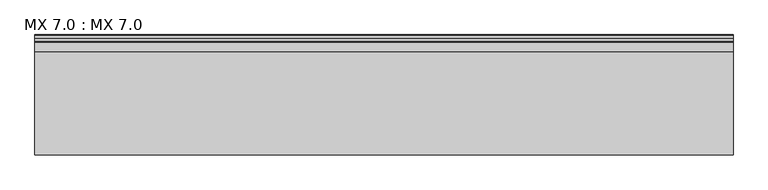
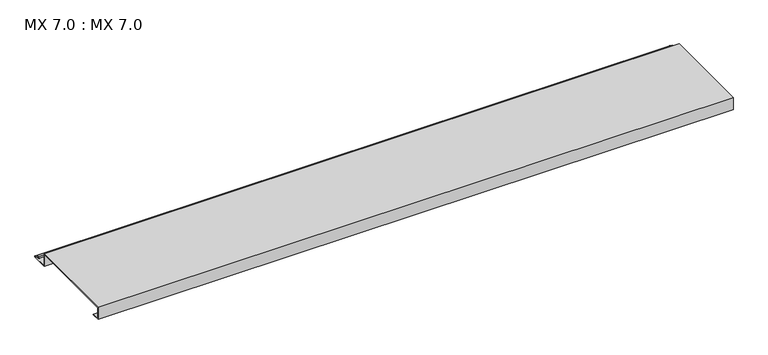
"""IFC4 building model written with IfcOpenShell, lengths in millimetres: proxy geometry, MX 7.0 : MX 7.0."""

from ifc_helpers import new_model, si_unit, point, frame, frame_2d, origin, place, context, project, spatial, polyline, circle_curve, trimmed, segment, composite_curve, outline, extrude, source, transform, mapped, element, save


def mx_7_0_mx_7_0_98858ce1(model_context):
    return source(origin(), model_context, "Body", "SweptSolid", [
        extrude(outline(composite_curve([segment(polyline([(0.0, 0.0), (0.0, 38.0), (280.0, 38.0), (280.0, 0.0), (325.0510156, 0.0)]), True, "CONTINUOUS"), segment(trimmed(circle_curve(frame_2d((324.3094696, 1.9153551)), 2.0538928), [point((325.0510156, 0.0))], [point((325.1748462, 3.778041))], True, "CARTESIAN"), True, "CONTINUOUS"), segment(polyline([(325.1748462, 3.778041), (308.7874714, 6.923107)]), True, "CONTINUOUS"), segment(trimmed(circle_curve(frame_2d((309.4078886, 8.6005442)), 1.7884947), [point((308.7874714, 6.923107))], [point((308.9525789, 10.3301125))], False, "CARTESIAN"), True, "CONTINUOUS"), segment(polyline([(308.9525789, 10.3301125), (316.459338, 11.6715995), (316.635255, 10.6871945), (309.1762081, 9.3542338)]), True, "CONTINUOUS"), segment(trimmed(circle_curve(frame_2d((309.4078886, 8.6005442)), 0.7884947), [point((309.1762081, 9.3542338))], [point((309.0735117, 7.8864603))], True, "CARTESIAN"), True, "CONTINUOUS"), segment(polyline([(309.0735117, 7.8864603), (325.4722719, 4.7392091)]), True, "CONTINUOUS"), segment(trimmed(circle_curve(frame_2d((324.3094696, 1.9153551)), 3.0538928), [point((325.4722719, 4.7392091))], [point((325.2188462, -1.0))], False, "CARTESIAN"), True, "CONTINUOUS"), segment(polyline([(325.2188462, -1.0), (279.0, -1.0), (279.0, 37.0), (1.0, 37.0), (1.0, 1.0), (25.0, 1.0), (25.0, 0.0), (0.0, 0.0)]), True, "CONTINUOUS")], self_intersect=False)), frame((0.0, 0.0, 0.0), z_axis=(1.0, 0.0, 0.0), x_axis=(0.0, 1.0, 0.0)), (0.0, 0.0, 1.0), 1900.0),
    ])


if __name__ == "__main__":
    model = new_model("IFC4")
    model_context = context("Model", 3, world=origin())
    ifc_project = project(units=[si_unit("LENGTHUNIT", "METRE", prefix="MILLI")], contexts=[model_context])
    site = spatial("IfcSite", under=ifc_project)
    building = spatial("IfcBuilding", under=site)
    placement = place(None, origin())
    mx_7_0_mx_7_0_shape = mx_7_0_mx_7_0_98858ce1(model_context)
    element("IfcBuildingElementProxy", 1, Name="MX 7.0 : MX 7.0", ObjectType="MX 7.0 : MX 7.0", at=placement, inside=building, context=model_context, shape_type="MappedRepresentation", body=[
        mapped(mx_7_0_mx_7_0_shape, transform((0.0, 0.0, 0.0), x_axis=(1.0, 0.0, 0.0), y_axis=(0.0, 1.0, 0.0), z_axis=(0.0, 0.0, 1.0))),
    ])
    save(model, "model.ifc")
